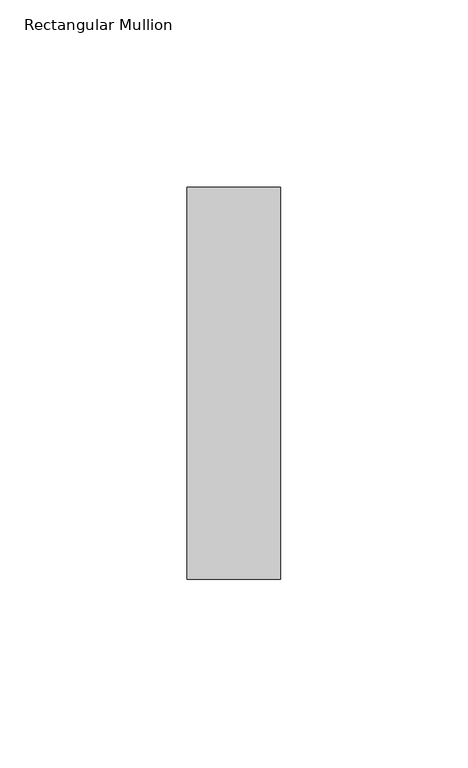
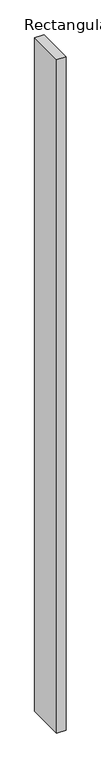
"""IFC4 building model written with IfcOpenShell, lengths in millimetres: member geometry, Rectangular Mullion."""

from ifc_helpers import new_model, si_unit, frame, origin, place, context, project, spatial, polyline, outline, extrude, source, transform, mapped, element, save


def rectangular_mullion_8def7378(model_context):
    return source(origin(), model_context, "Body", "SweptSolid", [
        extrude(outline(polyline([(-25.0, -52.34375), (-25.0, 52.34375), (0.0, 52.34375), (0.0, -52.34375), (-25.0, -52.34375)])), frame((0.0, 0.0, -1950.0), z_axis=(0.0, 0.0, 1.0), x_axis=(1.0, 0.0, 0.0)), (0.0, 0.0, 1.0), 1950.0),
    ])


if __name__ == "__main__":
    model = new_model("IFC4")
    model_context = context("Model", 3, world=origin())
    ifc_project = project(units=[si_unit("LENGTHUNIT", "METRE", prefix="MILLI")], contexts=[model_context])
    site = spatial("IfcSite", under=ifc_project)
    building = spatial("IfcBuilding", under=site)
    placement = place(None, origin())
    rectangular_mullion_shape = rectangular_mullion_8def7378(model_context)
    element("IfcMember", 1, ObjectType="Rectangular Mullion", at=placement, inside=building, context=model_context, shape_type="MappedRepresentation", body=[
        mapped(rectangular_mullion_shape, transform((0.0, 0.0, 0.0), x_axis=(1.0, 0.0, 0.0), y_axis=(0.0, 1.0, 0.0), z_axis=(0.0, 0.0, 1.0))),
    ])
    save(model, "model.ifc")
